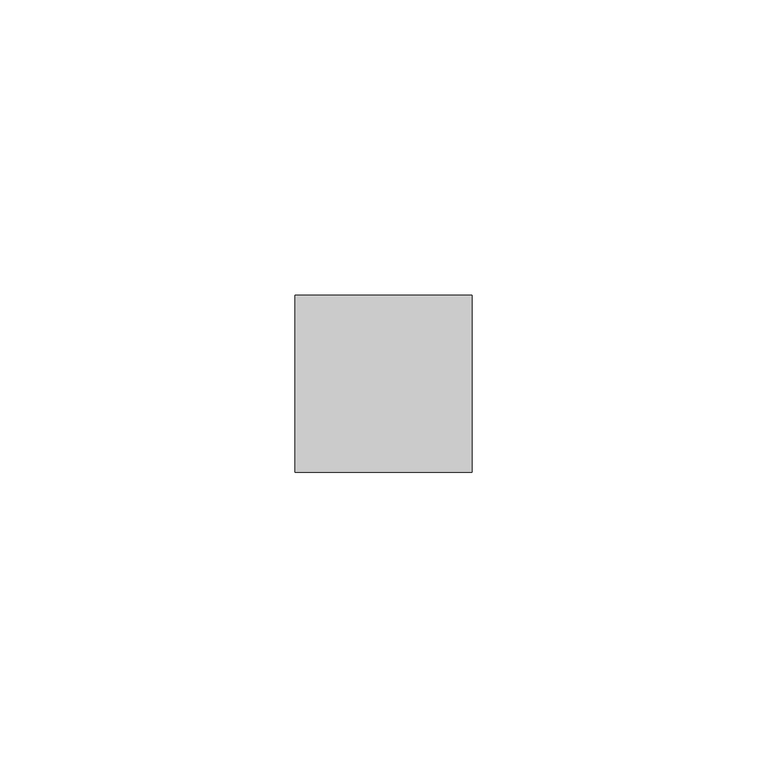
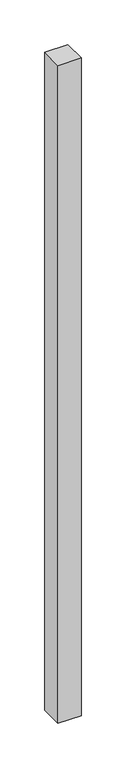
"""IFC4 building model written with IfcOpenShell, lengths in millimetres: member geometry."""

import ifcopenshell
import ifcopenshell.guid

model = None  # the IFC model being written
_history = None  # IfcOwnerHistory: only IFC2X3 demands one
_inside = {}  # id of a spatial element -> (the spatial element, [elements in it])
_under = {}  # id of a project, library or spatial element -> (it, [spatial elements below it])
_declared = {}  # id of a project -> (the project, [libraries it declares])
_typed = {}  # id of a type object -> (the type object, [elements of that type])
_made_of = {}  # id of a material, layer set ... -> (it, [elements and type objects made of it])


def new_model(schema):
    """Start an empty IFC model of exactly this schema.

    Asked for "IFC4X3", IfcOpenShell would pick the latest addendum, in which some entities
    have other attributes; the version numbers below select the first issue.
    IFC2X3 requires an IfcOwnerHistory on every rooted entity: one is made here for all.
    """
    global model, _history
    if schema == "IFC4X3":
        model = ifcopenshell.file(schema_version=(4, 3, 0, 0))
    else:
        model = ifcopenshell.file(schema=schema)
    _inside.clear()
    _under.clear()
    _declared.clear()
    _typed.clear()
    _made_of.clear()
    _history = None
    if model.schema == "IFC2X3":
        org = make("IfcOrganization", Name="unknown")
        user = make(
            "IfcPersonAndOrganization",
            ThePerson=make("IfcPerson", FamilyName="unknown"),
            TheOrganization=org,
        )
        app = make(
            "IfcApplication",
            ApplicationDeveloper=org,
            Version="unknown",
            ApplicationFullName="unknown",
            ApplicationIdentifier="unknown",
        )
        _history = make(
            "IfcOwnerHistory",
            OwningUser=user,
            OwningApplication=app,
            ChangeAction="ADDED",
            CreationDate=0,
        )
    return model


def make(cls, **values):
    """One entity of the class cls with the attributes given. An attribute that is None is left unset."""
    return model.create_entity(
        cls, **{name: value for name, value in values.items() if value is not None}
    )


def rooted(cls, **values):
    """An entity with a GlobalId (a new one), such as an element, a storey or a relation."""
    return make(cls, GlobalId=ifcopenshell.guid.new(), OwnerHistory=_history, **values)


def si_unit(unit_type, name, prefix=None):
    """IfcSIUnit, for example si_unit("LENGTHUNIT", "METRE", prefix="MILLI")."""
    return make("IfcSIUnit", UnitType=unit_type, Prefix=prefix, Name=name)


def assignment(units):
    """IfcUnitAssignment: the units of a project."""
    return None if units is None else make("IfcUnitAssignment", Units=units)


def point(xyz):
    """IfcCartesianPoint."""
    return None if xyz is None else make("IfcCartesianPoint", Coordinates=xyz)


def direction(xyz):
    """IfcDirection."""
    return None if xyz is None else make("IfcDirection", DirectionRatios=xyz)


def frame(location, z_axis=None, x_axis=None):
    """IfcAxis2Placement3D, a coordinate frame: its origin and axes. An axis left out is left unset."""
    return make(
        "IfcAxis2Placement3D",
        Location=point(location),
        Axis=direction(z_axis),
        RefDirection=direction(x_axis),
    )


def origin():
    """The frame at (0, 0, 0) with its axes left unset."""
    return frame((0.0, 0.0, 0.0))


def place(relative_to, where):
    """IfcLocalPlacement: puts the frame where relative to a parent placement (None: the world)."""
    return make(
        "IfcLocalPlacement", PlacementRelTo=relative_to, RelativePlacement=where
    )


def context(
    kind, dimensions, precision=None, world=None, true_north=None, identifier=None
):
    """IfcGeometricRepresentationContext, for example the 3D "Model" context."""
    return make(
        "IfcGeometricRepresentationContext",
        ContextIdentifier=identifier,
        ContextType=kind,
        CoordinateSpaceDimension=dimensions,
        Precision=precision,
        WorldCoordinateSystem=world,
        TrueNorth=true_north,
    )


def project(units=None, contexts=None):
    """IfcProject with its units and contexts."""
    return rooted(
        "IfcProject",
        Name="project",
        RepresentationContexts=contexts,
        UnitsInContext=assignment(units),
    )


def spatial(cls, under=None, at=None, **own):
    """A site, building, storey or space (cls), placed at a placement, below another one or the project."""
    s = rooted(cls, ObjectPlacement=at, **own)
    if under is not None:
        _under.setdefault(under.id(), (under, []))[1].append(s)
    return s


def polyline(points):
    """IfcPolyline through the points."""
    return make("IfcPolyline", Points=[point(p) for p in points])


def outline(outer, holes=None, kind="AREA"):
    """IfcArbitraryClosedProfileDef: a profile drawn as a closed curve; with holes, ...WithVoids."""
    if holes is None:
        return make("IfcArbitraryClosedProfileDef", ProfileType=kind, OuterCurve=outer)
    return make(
        "IfcArbitraryProfileDefWithVoids",
        ProfileType=kind,
        OuterCurve=outer,
        InnerCurves=holes,
    )


def extrude(swept, where, along, depth):
    """IfcExtrudedAreaSolid: the profile swept, set in the frame where, extruded along a direction by depth."""
    return make(
        "IfcExtrudedAreaSolid",
        SweptArea=swept,
        Position=where,
        ExtrudedDirection=direction(along),
        Depth=depth,
    )


def shape(context_of_items, identifier, shape_type, items):
    """IfcShapeRepresentation: the items that make up one representation, for example the "Body"."""
    return make(
        "IfcShapeRepresentation",
        ContextOfItems=context_of_items,
        RepresentationIdentifier=identifier,
        RepresentationType=shape_type,
        Items=items,
    )


def source(mapping_origin, context_of_items, identifier, shape_type, items):
    """IfcRepresentationMap: a shape defined once, which mapped items show again and again."""
    return make(
        "IfcRepresentationMap",
        MappingOrigin=mapping_origin,
        MappedRepresentation=shape(context_of_items, identifier, shape_type, items),
    )


def transform(
    local_origin,
    x_axis=None,
    y_axis=None,
    z_axis=None,
    scale=None,
    scale2=None,
    scale3=None,
    uniform=True,
):
    """IfcCartesianTransformationOperator3D, or its non-uniform kind. x_axis, y_axis, z_axis: its Axis1, 2, 3."""
    if uniform:
        return make(
            "IfcCartesianTransformationOperator3D",
            Axis1=direction(x_axis),
            Axis2=direction(y_axis),
            LocalOrigin=point(local_origin),
            Scale=scale,
            Axis3=direction(z_axis),
        )
    return make(
        "IfcCartesianTransformationOperator3DnonUniform",
        Axis1=direction(x_axis),
        Axis2=direction(y_axis),
        LocalOrigin=point(local_origin),
        Scale=scale,
        Axis3=direction(z_axis),
        Scale2=scale2,
        Scale3=scale3,
    )


def mapped(mapping_source, mapping_target):
    """IfcMappedItem: shows the shape of a source again, moved by a transform."""
    return make(
        "IfcMappedItem", MappingSource=mapping_source, MappingTarget=mapping_target
    )


def made_of(thing, what):
    """Note that an element or type object is made of a material, layer set ...; save() writes the relation."""
    if what is not None:
        _made_of.setdefault(what.id(), (what, []))[1].append(thing)
    return thing


def element(
    cls,
    number,
    at=None,
    inside=None,
    cuts=None,
    type_object=None,
    material=None,
    context=None,
    identifier="Body",
    shape_type=None,
    held_by="IfcProductDefinitionShape",
    body=None,
    shapes=None,
    **own,
):
    """One element of the class cls, such as IfcWall. Its Tag is "e" and its number.

    at: its placement. inside: the storey or other place that contains it. cuts: it is an
    opening in that element (IfcRelVoidsElement). A single representation is given by context,
    identifier, shape_type and body (its items); several are given by shapes. held_by: the class
    of the entity that holds the representations. save() writes the other relations.
    """
    e = rooted(cls, Tag="e%d" % number, ObjectPlacement=at, **own)
    if body is not None:
        shapes = [shape(context, identifier, shape_type, body)]
    if shapes is not None:
        e.Representation = make(held_by, Representations=shapes)
    if inside is not None:
        _inside.setdefault(inside.id(), (inside, []))[1].append(e)
    if cuts is not None:
        rooted(
            "IfcRelVoidsElement", RelatingBuildingElement=cuts, RelatedOpeningElement=e
        )
    if type_object is not None:
        _typed.setdefault(type_object.id(), (type_object, []))[1].append(e)
    return made_of(e, material)


def aggregate(whole, parts):
    """IfcRelAggregates: a whole, such as a stair, and the parts it consists of."""
    return rooted("IfcRelAggregates", RelatingObject=whole, RelatedObjects=parts)


def save(model, path):
    """Write the relations noted so far, then the file.

    IfcRelAggregates (storeys below a building ...), IfcRelContainedInSpatialStructure (elements
    in a storey), IfcRelDefinesByType, IfcRelAssociatesMaterial and IfcRelDeclares: one each for
    every whole, place, type object, material and project.
    """
    for whole, parts in _under.values():
        aggregate(whole, parts)
    for where, things in _inside.values():
        rooted(
            "IfcRelContainedInSpatialStructure",
            RelatedElements=things,
            RelatingStructure=where,
        )
    for kind, things in _typed.values():
        rooted("IfcRelDefinesByType", RelatedObjects=things, RelatingType=kind)
    for what, things in _made_of.values():
        rooted("IfcRelAssociatesMaterial", RelatedObjects=things, RelatingMaterial=what)
    for by, libraries in _declared.values():
        rooted("IfcRelDeclares", RelatingContext=by, RelatedDefinitions=libraries)
    model.write(path)


def member_5c1dec61(model_context):
    return source(origin(), model_context, "Body", "SweptSolid", [
        extrude(outline(polyline([(15.0, 15.0), (15.0, -15.0), (-15.0, -15.0), (-15.0, 15.0), (15.0, 15.0)])), frame((0.0, 0.0, -900.0), z_axis=(0.0, 0.0, 1.0), x_axis=(1.0, 0.0, 0.0)), (0.0, 0.0, 1.0), 900.0),
    ])


if __name__ == "__main__":
    model = new_model("IFC4")
    model_context = context("Model", 3, world=origin())
    ifc_project = project(units=[si_unit("LENGTHUNIT", "METRE", prefix="MILLI")], contexts=[model_context])
    site = spatial("IfcSite", under=ifc_project)
    building = spatial("IfcBuilding", under=site)
    placement = place(None, origin())
    member_shape = member_5c1dec61(model_context)
    element("IfcMember", 1, at=placement, inside=building, context=model_context, shape_type="MappedRepresentation", body=[
        mapped(member_shape, transform((0.0, 0.0, 0.0), x_axis=(1.0, 0.0, 0.0), y_axis=(0.0, 1.0, 0.0), z_axis=(0.0, 0.0, 1.0))),
    ])
    save(model, "model.ifc")
